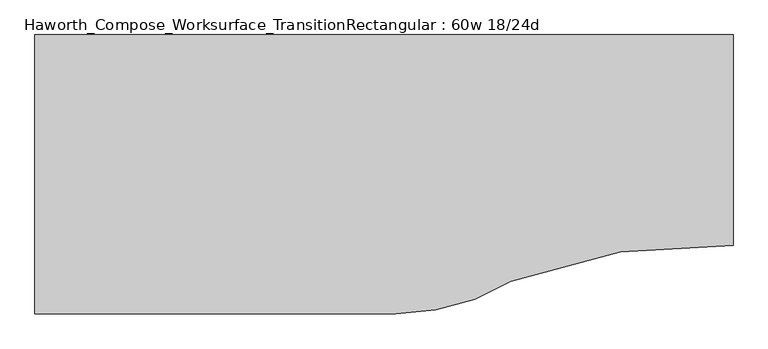
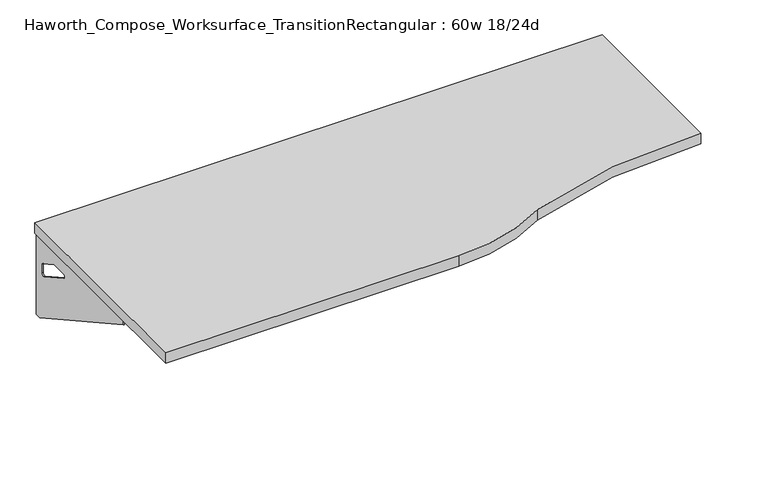
"""IFC4 building model written with IfcOpenShell, lengths in millimetres: furniture geometry, Haworth_Compose_Worksurface_TransitionRectangular : 60w 18/24d."""

import ifcopenshell
import ifcopenshell.guid

model = None  # the IFC model being written
_history = None  # IfcOwnerHistory: only IFC2X3 demands one
_inside = {}  # id of a spatial element -> (the spatial element, [elements in it])
_under = {}  # id of a project, library or spatial element -> (it, [spatial elements below it])
_declared = {}  # id of a project -> (the project, [libraries it declares])
_typed = {}  # id of a type object -> (the type object, [elements of that type])
_made_of = {}  # id of a material, layer set ... -> (it, [elements and type objects made of it])


def new_model(schema):
    """Start an empty IFC model of exactly this schema.

    Asked for "IFC4X3", IfcOpenShell would pick the latest addendum, in which some entities
    have other attributes; the version numbers below select the first issue.
    IFC2X3 requires an IfcOwnerHistory on every rooted entity: one is made here for all.
    """
    global model, _history
    if schema == "IFC4X3":
        model = ifcopenshell.file(schema_version=(4, 3, 0, 0))
    else:
        model = ifcopenshell.file(schema=schema)
    _inside.clear()
    _under.clear()
    _declared.clear()
    _typed.clear()
    _made_of.clear()
    _history = None
    if model.schema == "IFC2X3":
        org = make("IfcOrganization", Name="unknown")
        user = make(
            "IfcPersonAndOrganization",
            ThePerson=make("IfcPerson", FamilyName="unknown"),
            TheOrganization=org,
        )
        app = make(
            "IfcApplication",
            ApplicationDeveloper=org,
            Version="unknown",
            ApplicationFullName="unknown",
            ApplicationIdentifier="unknown",
        )
        _history = make(
            "IfcOwnerHistory",
            OwningUser=user,
            OwningApplication=app,
            ChangeAction="ADDED",
            CreationDate=0,
        )
    return model


def make(cls, **values):
    """One entity of the class cls with the attributes given. An attribute that is None is left unset."""
    return model.create_entity(
        cls, **{name: value for name, value in values.items() if value is not None}
    )


def rooted(cls, **values):
    """An entity with a GlobalId (a new one), such as an element, a storey or a relation."""
    return make(cls, GlobalId=ifcopenshell.guid.new(), OwnerHistory=_history, **values)


def si_unit(unit_type, name, prefix=None):
    """IfcSIUnit, for example si_unit("LENGTHUNIT", "METRE", prefix="MILLI")."""
    return make("IfcSIUnit", UnitType=unit_type, Prefix=prefix, Name=name)


def assignment(units):
    """IfcUnitAssignment: the units of a project."""
    return None if units is None else make("IfcUnitAssignment", Units=units)


def point(xyz):
    """IfcCartesianPoint."""
    return None if xyz is None else make("IfcCartesianPoint", Coordinates=xyz)


def direction(xyz):
    """IfcDirection."""
    return None if xyz is None else make("IfcDirection", DirectionRatios=xyz)


def frame(location, z_axis=None, x_axis=None):
    """IfcAxis2Placement3D, a coordinate frame: its origin and axes. An axis left out is left unset."""
    return make(
        "IfcAxis2Placement3D",
        Location=point(location),
        Axis=direction(z_axis),
        RefDirection=direction(x_axis),
    )


def frame_2d(location, x_axis=None):
    """IfcAxis2Placement2D, a coordinate frame in the plane: its origin and x axis."""
    return make(
        "IfcAxis2Placement2D", Location=point(location), RefDirection=direction(x_axis)
    )


def origin():
    """The frame at (0, 0, 0) with its axes left unset."""
    return frame((0.0, 0.0, 0.0))


def place(relative_to, where):
    """IfcLocalPlacement: puts the frame where relative to a parent placement (None: the world)."""
    return make(
        "IfcLocalPlacement", PlacementRelTo=relative_to, RelativePlacement=where
    )


def context(
    kind, dimensions, precision=None, world=None, true_north=None, identifier=None
):
    """IfcGeometricRepresentationContext, for example the 3D "Model" context."""
    return make(
        "IfcGeometricRepresentationContext",
        ContextIdentifier=identifier,
        ContextType=kind,
        CoordinateSpaceDimension=dimensions,
        Precision=precision,
        WorldCoordinateSystem=world,
        TrueNorth=true_north,
    )


def project(units=None, contexts=None):
    """IfcProject with its units and contexts."""
    return rooted(
        "IfcProject",
        Name="project",
        RepresentationContexts=contexts,
        UnitsInContext=assignment(units),
    )


def spatial(cls, under=None, at=None, **own):
    """A site, building, storey or space (cls), placed at a placement, below another one or the project."""
    s = rooted(cls, ObjectPlacement=at, **own)
    if under is not None:
        _under.setdefault(under.id(), (under, []))[1].append(s)
    return s


def polyline(points):
    """IfcPolyline through the points."""
    return make("IfcPolyline", Points=[point(p) for p in points])


def circle_curve(where, radius):
    """IfcCircle in the frame where."""
    return make("IfcCircle", Position=where, Radius=radius)


def trimmed(basis, trim1, trim2, sense, master):
    """IfcTrimmedCurve: the piece of a basis curve between two trims."""
    return make(
        "IfcTrimmedCurve",
        BasisCurve=basis,
        Trim1=trim1,
        Trim2=trim2,
        SenseAgreement=sense,
        MasterRepresentation=master,
    )


def segment(curve, same_sense, transition):
    """IfcCompositeCurveSegment."""
    return make(
        "IfcCompositeCurveSegment",
        Transition=transition,
        SameSense=same_sense,
        ParentCurve=curve,
    )


def composite_curve(segments, self_intersect=None):
    """IfcCompositeCurve: segments joined end to end."""
    return make("IfcCompositeCurve", Segments=segments, SelfIntersect=self_intersect)


def outline(outer, holes=None, kind="AREA"):
    """IfcArbitraryClosedProfileDef: a profile drawn as a closed curve; with holes, ...WithVoids."""
    if holes is None:
        return make("IfcArbitraryClosedProfileDef", ProfileType=kind, OuterCurve=outer)
    return make(
        "IfcArbitraryProfileDefWithVoids",
        ProfileType=kind,
        OuterCurve=outer,
        InnerCurves=holes,
    )


def extrude(swept, where, along, depth):
    """IfcExtrudedAreaSolid: the profile swept, set in the frame where, extruded along a direction by depth."""
    return make(
        "IfcExtrudedAreaSolid",
        SweptArea=swept,
        Position=where,
        ExtrudedDirection=direction(along),
        Depth=depth,
    )


def shape(context_of_items, identifier, shape_type, items):
    """IfcShapeRepresentation: the items that make up one representation, for example the "Body"."""
    return make(
        "IfcShapeRepresentation",
        ContextOfItems=context_of_items,
        RepresentationIdentifier=identifier,
        RepresentationType=shape_type,
        Items=items,
    )


def source(mapping_origin, context_of_items, identifier, shape_type, items):
    """IfcRepresentationMap: a shape defined once, which mapped items show again and again."""
    return make(
        "IfcRepresentationMap",
        MappingOrigin=mapping_origin,
        MappedRepresentation=shape(context_of_items, identifier, shape_type, items),
    )


def transform(
    local_origin,
    x_axis=None,
    y_axis=None,
    z_axis=None,
    scale=None,
    scale2=None,
    scale3=None,
    uniform=True,
):
    """IfcCartesianTransformationOperator3D, or its non-uniform kind. x_axis, y_axis, z_axis: its Axis1, 2, 3."""
    if uniform:
        return make(
            "IfcCartesianTransformationOperator3D",
            Axis1=direction(x_axis),
            Axis2=direction(y_axis),
            LocalOrigin=point(local_origin),
            Scale=scale,
            Axis3=direction(z_axis),
        )
    return make(
        "IfcCartesianTransformationOperator3DnonUniform",
        Axis1=direction(x_axis),
        Axis2=direction(y_axis),
        LocalOrigin=point(local_origin),
        Scale=scale,
        Axis3=direction(z_axis),
        Scale2=scale2,
        Scale3=scale3,
    )


def mapped(mapping_source, mapping_target):
    """IfcMappedItem: shows the shape of a source again, moved by a transform."""
    return make(
        "IfcMappedItem", MappingSource=mapping_source, MappingTarget=mapping_target
    )


def made_of(thing, what):
    """Note that an element or type object is made of a material, layer set ...; save() writes the relation."""
    if what is not None:
        _made_of.setdefault(what.id(), (what, []))[1].append(thing)
    return thing


def element(
    cls,
    number,
    at=None,
    inside=None,
    cuts=None,
    type_object=None,
    material=None,
    context=None,
    identifier="Body",
    shape_type=None,
    held_by="IfcProductDefinitionShape",
    body=None,
    shapes=None,
    **own,
):
    """One element of the class cls, such as IfcWall. Its Tag is "e" and its number.

    at: its placement. inside: the storey or other place that contains it. cuts: it is an
    opening in that element (IfcRelVoidsElement). A single representation is given by context,
    identifier, shape_type and body (its items); several are given by shapes. held_by: the class
    of the entity that holds the representations. save() writes the other relations.
    """
    e = rooted(cls, Tag="e%d" % number, ObjectPlacement=at, **own)
    if body is not None:
        shapes = [shape(context, identifier, shape_type, body)]
    if shapes is not None:
        e.Representation = make(held_by, Representations=shapes)
    if inside is not None:
        _inside.setdefault(inside.id(), (inside, []))[1].append(e)
    if cuts is not None:
        rooted(
            "IfcRelVoidsElement", RelatingBuildingElement=cuts, RelatedOpeningElement=e
        )
    if type_object is not None:
        _typed.setdefault(type_object.id(), (type_object, []))[1].append(e)
    return made_of(e, material)


def aggregate(whole, parts):
    """IfcRelAggregates: a whole, such as a stair, and the parts it consists of."""
    return rooted("IfcRelAggregates", RelatingObject=whole, RelatedObjects=parts)


def save(model, path):
    """Write the relations noted so far, then the file.

    IfcRelAggregates (storeys below a building ...), IfcRelContainedInSpatialStructure (elements
    in a storey), IfcRelDefinesByType, IfcRelAssociatesMaterial and IfcRelDeclares: one each for
    every whole, place, type object, material and project.
    """
    for whole, parts in _under.values():
        aggregate(whole, parts)
    for where, things in _inside.values():
        rooted(
            "IfcRelContainedInSpatialStructure",
            RelatedElements=things,
            RelatingStructure=where,
        )
    for kind, things in _typed.values():
        rooted("IfcRelDefinesByType", RelatedObjects=things, RelatingType=kind)
    for what, things in _made_of.values():
        rooted("IfcRelAssociatesMaterial", RelatedObjects=things, RelatingMaterial=what)
    for by, libraries in _declared.values():
        rooted("IfcRelDeclares", RelatingContext=by, RelatedDefinitions=libraries)
    model.write(path)


def plane_surface(at):
    """IfcPlane: the flat surface through the origin of the frame at, square to its z axis."""
    return make("IfcPlane", Position=at)


def revolved_surface(curve, axis_point, axis_direction):
    """IfcSurfaceOfRevolution: the curve turned about the line through axis_point along axis_direction."""
    return make(
        "IfcSurfaceOfRevolution",
        SweptCurve=make("IfcArbitraryOpenProfileDef", ProfileType="CURVE", Curve=curve),
        AxisPosition=make("IfcAxis1Placement", Location=point(axis_point), Axis=direction(axis_direction)),
    )


def advanced_brep(points, edges, surfaces, faces):
    """IfcAdvancedBrep: a solid bounded by faces that lie on surfaces and meet in shared edges.

    An edge is (start, end): straight between two places in points (the first is 0);
    or (start, end, curve); or (start, end, curve, False) where it runs against its curve.
    A face is (place in surfaces, loops), or (place, loops, False) where it looks against
    its surface's normal. A loop lists edges by number (the first is 1), with a minus sign
    where the edge is run from its end to its start. The first loop is the outer one.
    """
    corners = [point(p) for p in points]
    vertices = [make("IfcVertexPoint", VertexGeometry=c) for c in corners]
    made = []
    for start, end, *more in edges:
        made.append(
            make(
                "IfcEdgeCurve",
                EdgeStart=vertices[start],
                EdgeEnd=vertices[end],
                EdgeGeometry=more[0] if more else make("IfcPolyline", Points=[corners[start], corners[end]]),
                SameSense=more[1] if len(more) > 1 else True,
            )
        )
    hull = []
    for where, loops, *sense in faces:
        bounds = []
        for j, loop in enumerate(loops):
            ring = [make("IfcOrientedEdge", EdgeElement=made[abs(k) - 1], Orientation=k > 0) for k in loop]
            bounds.append(
                make(
                    "IfcFaceOuterBound" if j == 0 else "IfcFaceBound",
                    Bound=make("IfcEdgeLoop", EdgeList=ring),
                    Orientation=True,
                )
            )
        hull.append(make("IfcAdvancedFace", Bounds=bounds, FaceSurface=surfaces[where], SameSense=sense[0] if sense else True))
    return make("IfcAdvancedBrep", Outer=make("IfcClosedShell", CfsFaces=hull))


def haworth_compose_worksurface_transitionrectangular_60w_18_24d_84dbb991(model_context):
    return source(origin(), model_context, "Body", "SolidModel", [
        advanced_brep(
        [(737.39375, 152.4, 475.45625), (737.39375, 136.525, 475.45625), (737.39375, -254.0, 691.7192568), (737.39375, -254.0, 704.05625), (737.39375, 136.525, 704.05625), (737.39375, 152.4, 704.05625), (737.39375, 69.090072, 665.95625), (737.39375, 25.4355284, 665.95625), (737.39375, 22.7564235, 656.3705539), (737.39375, 114.4776173, 605.5776439), (737.39375, 123.825, 611.1756969), (737.39375, 123.825, 634.6860246), (737.39375, 122.0730055, 637.5242776), (737.39375, 72.1663437, 665.1613425), (739.775, 152.4, 475.45625), (739.775, 152.4, 704.05625), (739.775, 136.525, 704.05625), (739.775, 136.525, 706.4375), (739.775, -254.0, 706.4375), (739.775, -254.0, 691.7192568), (739.775, 136.525, 475.45625), (739.775, 69.090072, 665.95625), (739.775, 72.1663437, 665.1613425), (739.775, 122.0730055, 637.5242776), (739.775, 123.825, 634.6860246), (739.775, 123.825, 611.1756969), (739.775, 114.4776173, 605.5776439), (739.775, 22.7564235, 656.3705539), (739.775, 25.4355284, 665.95625), (698.5, -254.0, 706.4375), (698.5, -254.0, 704.05625), (698.5, 136.525, 704.05625), (698.5, 136.525, 706.4375)],
        [
            (0, 1),
            (1, 2),
            (2, 3),
            (3, 4),
            (4, 5),
            (5, 0),
            (6, 7),
            (7, 8, circle_curve(frame((737.39375, 25.4355284, 660.7890106), z_axis=(1.0, 0.0, 0.0), x_axis=(0.0, -1.0, 0.0)), 5.1672394)),
            (8, 9),
            (9, 10, circle_curve(frame((737.39375, 117.475, 611.1756969), z_axis=(1.0, 0.0, 0.0), x_axis=(0.0, -1.0, 0.0)), 6.35)),
            (10, 11),
            (11, 12, circle_curve(frame((737.39375, 120.65, 634.6860246), z_axis=(1.0, 0.0, 0.0), x_axis=(0.0, -1.0, 0.0)), 3.175)),
            (12, 13),
            (13, 6, circle_curve(frame((737.39375, 69.090072, 659.60625), z_axis=(1.0, 0.0, 0.0), x_axis=(0.0, -1.0, 0.0)), 6.35)),
            (14, 15),
            (15, 16),
            (16, 17),
            (17, 18),
            (18, 19),
            (19, 20),
            (20, 14),
            (21, 22, circle_curve(frame((739.775, 69.090072, 659.60625), z_axis=(-1.0, 0.0, 0.0), x_axis=(0.0, -1.0, 0.0)), 6.35)),
            (22, 23),
            (23, 24, circle_curve(frame((739.775, 120.65, 634.6860246), z_axis=(-1.0, 0.0, 0.0), x_axis=(0.0, -1.0, 0.0)), 3.175)),
            (24, 25),
            (25, 26, circle_curve(frame((739.775, 117.475, 611.1756969), z_axis=(-1.0, 0.0, 0.0), x_axis=(0.0, -1.0, 0.0)), 6.35)),
            (26, 27),
            (27, 28, circle_curve(frame((739.775, 25.4355284, 660.7890106), z_axis=(-1.0, 0.0, 0.0), x_axis=(0.0, -1.0, 0.0)), 5.1672394)),
            (28, 21),
            (4, 16),
            (15, 5),
            (14, 0),
            (20, 1),
            (19, 2),
            (18, 29),
            (29, 30),
            (30, 3),
            (6, 21),
            (28, 7),
            (9, 26),
            (25, 10),
            (24, 11),
            (23, 12),
            (27, 8),
            (31, 4),
            (30, 31),
            (32, 29),
            (17, 32),
            (31, 32),
            (22, 13),
        ],
        [
            plane_surface(frame((737.39375, 152.4, 475.45625), z_axis=(-1.0, 0.0, 0.0), x_axis=(0.0, 1.0, 0.0))),
            plane_surface(frame((739.775, 152.4, 475.45625), z_axis=(1.0, 0.0, 0.0), x_axis=(0.0, -1.0, 0.0))),
            plane_surface(frame((739.775, -254.0, 704.05625), z_axis=(0.0, 0.0, 1.0), x_axis=(-1.0, 0.0, 0.0))),
            plane_surface(frame((739.775, 152.4, 704.05625), z_axis=(0.0, 1.0, 0.0), x_axis=(-1.0, 0.0, 0.0))),
            plane_surface(frame((739.775, 152.4, 475.45625), z_axis=(0.0, 0.0, -1.0), x_axis=(-1.0, 0.0, 0.0))),
            plane_surface(frame((739.775, 136.525, 475.45625), z_axis=(0.0, -0.48445223513455843, -0.8748177135112952), x_axis=(-1.0, 0.0, 0.0))),
            plane_surface(frame((739.775, -254.0, 691.7192568), z_axis=(0.0, -1.0, 0.0), x_axis=(-1.0, 0.0, 0.0))),
            plane_surface(frame((739.775, 69.090072, 665.95625), z_axis=(0.0, 0.0, -1.0), x_axis=(-1.0, 0.0, 0.0))),
            revolved_surface(polyline([(737.39375, 111.125, 611.1756969), (739.775, 111.125, 611.1756969)]), (739.775, 117.475, 611.1756969), (-1.0, 0.0, 0.0)),
            plane_surface(frame((739.775, 123.825, 611.1756969), z_axis=(0.0, -1.0, 0.0), x_axis=(-1.0, 0.0, 0.0))),
            revolved_surface(polyline([(737.39375, 117.47500000000001, 634.6860246), (739.775, 117.47500000000001, 634.6860246)]), (739.775, 120.65, 634.6860246), (-1.0, 0.0, 0.0)),
            revolved_surface(polyline([(737.39375, 20.268289, 660.7890106), (739.775, 20.268289, 660.7890106)]), (739.775, 25.4355284, 660.7890106), (-1.0, 0.0, 0.0)),
            plane_surface(frame((739.775, 136.525, 704.05625), z_axis=(0.0, 0.0, -1.0), x_axis=(-1.0, 0.0, 0.0))),
            plane_surface(frame((739.775, 136.525, 706.4375), z_axis=(0.0, 0.0, 1.0), x_axis=(1.0, 0.0, 0.0))),
            plane_surface(frame((698.5, 136.525, 706.4375), z_axis=(0.0, 1.0, 0.0), x_axis=(0.0, 0.0, -1.0))),
            plane_surface(frame((698.5, -254.0, 706.4375), z_axis=(-1.0, 0.0, 0.0), x_axis=(0.0, 0.0, -1.0))),
            plane_surface(frame((739.775, 22.7564235, 656.3705539), z_axis=(0.0, 0.4844522351345583, 0.8748177135112953), x_axis=(-1.0, 0.0, 0.0))),
            plane_surface(frame((739.775, 122.0730055, 637.5242776), z_axis=(0.0, -0.4844522351345582, -0.8748177135112953), x_axis=(-1.0, 0.0, 0.0))),
            revolved_surface(polyline([(737.39375, 62.740072000000005, 659.60625), (739.775, 62.740072000000005, 659.60625)]), (739.775, 69.090072, 659.60625), (-1.0, 0.0, 0.0)),
        ],
        [
            (0, [[1, 2, 3, 4, 5, 6], [7, 8, 9, 10, 11, 12, 13, 14]]),
            (1, [[15, 16, 17, 18, 19, 20, 21], [22, 23, 24, 25, 26, 27, 28, 29]]),
            (2, [[-5, 30, -16, 31]]),
            (3, [[-31, -15, 32, -6]]),
            (4, [[-32, -21, 33, -1]]),
            (5, [[-33, -20, 34, -2]]),
            (6, [[-34, -19, 35, 36, 37, -3]]),
            (7, [[38, -29, 39, -7]]),
            (8, [[40, -26, 41, -10]]),
            (9, [[-41, -25, 42, -11]]),
            (10, [[-42, -24, 43, -12]]),
            (11, [[-39, -28, 44, -8]]),
            (12, [[45, -4, -37, 46]]),
            (13, [[47, -35, -18, 48]]),
            (14, [[-17, -30, -45, 49, -48]]),
            (15, [[-36, -47, -49, -46]]),
            (16, [[-44, -27, -40, -9]]),
            (17, [[-43, -23, 50, -13]]),
            (18, [[-50, -22, -38, -14]]),
        ],
    ),
        advanced_brep(
        [(-775.49375, 152.4, 475.45625), (-775.49375, 152.4, 704.05625), (-775.49375, 136.525, 704.05625), (-775.49375, -254.0, 704.05625), (-775.49375, -254.0, 691.7192568), (-775.49375, 136.525, 475.45625), (-775.49375, 69.090072, 665.95625), (-775.49375, 72.1663437, 665.1613425), (-775.49375, 122.0730055, 637.5242776), (-775.49375, 123.825, 634.6860246), (-775.49375, 123.825, 611.1756969), (-775.49375, 114.4776173, 605.5776439), (-775.49375, 22.7564235, 656.3705539), (-775.49375, 25.4355284, 665.95625), (-777.875, 152.4, 475.45625), (-777.875, 136.525, 475.45625), (-777.875, -254.0, 691.7192568), (-777.875, -254.0, 706.4375), (-777.875, 136.525, 706.4375), (-777.875, 136.525, 704.05625), (-777.875, 152.4, 704.05625), (-777.875, 69.090072, 665.95625), (-777.875, 25.4355284, 665.95625), (-777.875, 22.7564235, 656.3705539), (-777.875, 114.4776173, 605.5776439), (-777.875, 123.825, 611.1756969), (-777.875, 123.825, 634.6860246), (-777.875, 122.0730055, 637.5242776), (-777.875, 72.1663437, 665.1613425), (-736.6, -254.0, 704.05625), (-736.6, -254.0, 706.4375), (-736.6, 136.525, 704.05625), (-736.6, 136.525, 706.4375)],
        [
            (0, 1),
            (1, 2),
            (2, 3),
            (3, 4),
            (4, 5),
            (5, 0),
            (6, 7, circle_curve(frame((-775.49375, 69.090072, 659.60625), z_axis=(-1.0, 0.0, 0.0), x_axis=(0.0, -1.0, 0.0)), 6.35)),
            (7, 8),
            (8, 9, circle_curve(frame((-775.49375, 120.65, 634.6860246), z_axis=(-1.0, 0.0, 0.0), x_axis=(0.0, -1.0, 0.0)), 3.175)),
            (9, 10),
            (10, 11, circle_curve(frame((-775.49375, 117.475, 611.1756969), z_axis=(-1.0, 0.0, 0.0), x_axis=(0.0, -1.0, 0.0)), 6.35)),
            (11, 12),
            (12, 13, circle_curve(frame((-775.49375, 25.4355284, 660.7890106), z_axis=(-1.0, 0.0, 0.0), x_axis=(0.0, -1.0, 0.0)), 5.1672394)),
            (13, 6),
            (14, 15),
            (15, 16),
            (16, 17),
            (17, 18),
            (18, 19),
            (19, 20),
            (20, 14),
            (21, 22),
            (22, 23, circle_curve(frame((-777.875, 25.4355284, 660.7890106), z_axis=(1.0, 0.0, 0.0), x_axis=(0.0, -1.0, 0.0)), 5.1672394)),
            (23, 24),
            (24, 25, circle_curve(frame((-777.875, 117.475, 611.1756969), z_axis=(1.0, 0.0, 0.0), x_axis=(0.0, -1.0, 0.0)), 6.35)),
            (25, 26),
            (26, 27, circle_curve(frame((-777.875, 120.65, 634.6860246), z_axis=(1.0, 0.0, 0.0), x_axis=(0.0, -1.0, 0.0)), 3.175)),
            (27, 28),
            (28, 21, circle_curve(frame((-777.875, 69.090072, 659.60625), z_axis=(1.0, 0.0, 0.0), x_axis=(0.0, -1.0, 0.0)), 6.35)),
            (1, 20),
            (19, 2),
            (0, 14),
            (5, 15),
            (4, 16),
            (3, 29),
            (29, 30),
            (30, 17),
            (13, 22),
            (21, 6),
            (10, 25),
            (24, 11),
            (9, 26),
            (8, 27),
            (12, 23),
            (31, 29),
            (2, 31),
            (32, 18),
            (30, 32),
            (32, 31),
            (7, 28),
        ],
        [
            plane_surface(frame((-775.49375, 152.4, 475.45625), z_axis=(1.0, 0.0, 0.0), x_axis=(0.0, 1.0, 0.0))),
            plane_surface(frame((-777.875, 152.4, 475.45625), z_axis=(-1.0, 0.0, 0.0), x_axis=(0.0, -1.0, 0.0))),
            plane_surface(frame((-777.875, -254.0, 704.05625), z_axis=(0.0, 0.0, 1.0), x_axis=(1.0, 0.0, 0.0))),
            plane_surface(frame((-777.875, 152.4, 704.05625), z_axis=(0.0, 1.0, 0.0), x_axis=(1.0, 0.0, 0.0))),
            plane_surface(frame((-777.875, 152.4, 475.45625), z_axis=(0.0, 0.0, -1.0), x_axis=(1.0, 0.0, 0.0))),
            plane_surface(frame((-777.875, 136.525, 475.45625), z_axis=(0.0, -0.48445223513455843, -0.8748177135112952), x_axis=(1.0, 0.0, 0.0))),
            plane_surface(frame((-777.875, -254.0, 691.7192568), z_axis=(0.0, -1.0, 0.0), x_axis=(1.0, 0.0, 0.0))),
            plane_surface(frame((-777.875, 69.090072, 665.95625), z_axis=(0.0, 0.0, -1.0), x_axis=(1.0, 0.0, 0.0))),
            revolved_surface(polyline([(-775.49375, 111.125, 611.1756969), (-777.875, 111.125, 611.1756969)]), (-777.875, 117.475, 611.1756969), (1.0, 0.0, 0.0)),
            plane_surface(frame((-777.875, 123.825, 611.1756969), z_axis=(0.0, -1.0, 0.0), x_axis=(1.0, 0.0, 0.0))),
            revolved_surface(polyline([(-775.49375, 117.47500000000001, 634.6860246), (-777.875, 117.47500000000001, 634.6860246)]), (-777.875, 120.65, 634.6860246), (1.0, 0.0, 0.0)),
            revolved_surface(polyline([(-775.49375, 20.268289, 660.7890106), (-777.875, 20.268289, 660.7890106)]), (-777.875, 25.4355284, 660.7890106), (1.0, 0.0, 0.0)),
            plane_surface(frame((-777.875, 136.525, 704.05625), z_axis=(0.0, 0.0, -1.0), x_axis=(1.0, 0.0, 0.0))),
            plane_surface(frame((-777.875, 136.525, 706.4375), z_axis=(0.0, 0.0, 1.0), x_axis=(-1.0, 0.0, 0.0))),
            plane_surface(frame((-736.6, 136.525, 706.4375), z_axis=(0.0, 1.0, 0.0), x_axis=(0.0, 0.0, -1.0))),
            plane_surface(frame((-736.6, -254.0, 706.4375), z_axis=(1.0, 0.0, 0.0), x_axis=(0.0, 0.0, -1.0))),
            plane_surface(frame((-777.875, 22.7564235, 656.3705539), z_axis=(0.0, 0.4844522351345583, 0.8748177135112953), x_axis=(1.0, 0.0, 0.0))),
            plane_surface(frame((-777.875, 122.0730055, 637.5242776), z_axis=(0.0, -0.4844522351345582, -0.8748177135112953), x_axis=(1.0, 0.0, 0.0))),
            revolved_surface(polyline([(-775.49375, 62.740072000000005, 659.60625), (-777.875, 62.740072000000005, 659.60625)]), (-777.875, 69.090072, 659.60625), (1.0, 0.0, 0.0)),
        ],
        [
            (0, [[1, 2, 3, 4, 5, 6], [7, 8, 9, 10, 11, 12, 13, 14]]),
            (1, [[15, 16, 17, 18, 19, 20, 21], [22, 23, 24, 25, 26, 27, 28, 29]]),
            (2, [[30, -20, 31, -2]]),
            (3, [[-1, 32, -21, -30]]),
            (4, [[-6, 33, -15, -32]]),
            (5, [[-5, 34, -16, -33]]),
            (6, [[-4, 35, 36, 37, -17, -34]]),
            (7, [[-14, 38, -22, 39]]),
            (8, [[-11, 40, -25, 41]]),
            (9, [[-10, 42, -26, -40]]),
            (10, [[-9, 43, -27, -42]]),
            (11, [[-13, 44, -23, -38]]),
            (12, [[45, -35, -3, 46]]),
            (13, [[47, -18, -37, 48]]),
            (14, [[-47, 49, -46, -31, -19]]),
            (15, [[-45, -49, -48, -36]]),
            (16, [[-12, -41, -24, -44]]),
            (17, [[-8, 50, -28, -43]]),
            (18, [[-7, -39, -29, -50]]),
        ],
    ),
        extrude(outline(composite_curve([segment(trimmed(circle_curve(frame_2d((692.1932653, -1525.6064208)), 1219.2), [point((742.95, -307.4634103))], [point((258.1318841, -386.2911188))], True, "CARTESIAN"), True, "CONTINUOUS"), segment(trimmed(circle_curve(frame_2d((6.3121416, 25.4)), 482.6), [point((258.1318841, -386.2911188))], [point((6.3121416, -457.2))], False, "CARTESIAN"), True, "CONTINUOUS"), segment(polyline([(6.3121416, -457.2), (-781.05, -457.2), (-781.05, 152.4), (742.95, 152.4), (742.95, -307.4634103)]), True, "CONTINUOUS")], self_intersect=False)), frame((0.0, 0.0, 706.4375), z_axis=(0.0, 0.0, 1.0), x_axis=(1.0, 0.0, 0.0)), (0.0, 0.0, 1.0), 30.1625),
    ])


if __name__ == "__main__":
    model = new_model("IFC4")
    model_context = context("Model", 3, world=origin())
    ifc_project = project(units=[si_unit("LENGTHUNIT", "METRE", prefix="MILLI")], contexts=[model_context])
    site = spatial("IfcSite", under=ifc_project)
    building = spatial("IfcBuilding", under=site)
    placement = place(None, origin())
    haworth_compose_worksurface_transitionrectangular_60w_18_24d_shape = haworth_compose_worksurface_transitionrectangular_60w_18_24d_84dbb991(model_context)
    element("IfcFurniture", 1, ObjectType="Haworth_Compose_Worksurface_TransitionRectangular : 60w 18/24d", at=placement, inside=building, context=model_context, shape_type="MappedRepresentation", body=[
        mapped(haworth_compose_worksurface_transitionrectangular_60w_18_24d_shape, transform((0.0, 0.0, 0.0), x_axis=(1.0, 0.0, 0.0), y_axis=(0.0, 1.0, 0.0), z_axis=(0.0, 0.0, 1.0))),
    ])
    save(model, "model.ifc")
